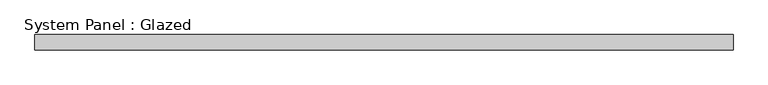
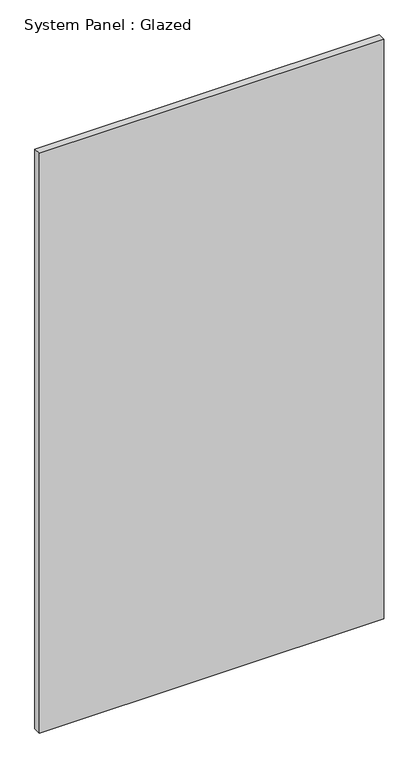
"""IFC4 building model written with IfcOpenShell, lengths in millimetres: plate geometry, System Panel : Glazed."""

from ifc_helpers import new_model, si_unit, origin, origin_with_axes, place, context, project, spatial, polyline, outline, extrude, source, transform, mapped, element, save


def system_panel_glazed_c96830b8(model_context):
    return source(origin(), model_context, "Body", "SweptSolid", [
        extrude(outline(polyline([(581.9069444, -44.45), (-581.9069444, -44.45), (-581.9069444, -19.05), (581.9069444, -19.05), (581.9069444, -44.45)])), origin_with_axes(), (0.0, 0.0, 1.0), 2070.1),
    ])


if __name__ == "__main__":
    model = new_model("IFC4")
    model_context = context("Model", 3, world=origin())
    ifc_project = project(units=[si_unit("LENGTHUNIT", "METRE", prefix="MILLI")], contexts=[model_context])
    site = spatial("IfcSite", under=ifc_project)
    building = spatial("IfcBuilding", under=site)
    placement = place(None, origin())
    system_panel_glazed_shape = system_panel_glazed_c96830b8(model_context)
    element("IfcPlate", 1, ObjectType="System Panel : Glazed", at=placement, inside=building, context=model_context, shape_type="MappedRepresentation", body=[
        mapped(system_panel_glazed_shape, transform((0.0, 0.0, 0.0), x_axis=(1.0, 0.0, 0.0), y_axis=(0.0, 1.0, 0.0), z_axis=(0.0, 0.0, 1.0))),
    ])
    save(model, "model.ifc")
